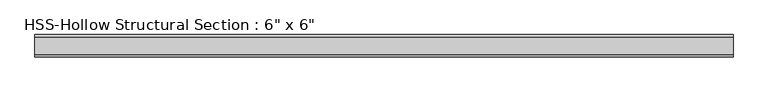
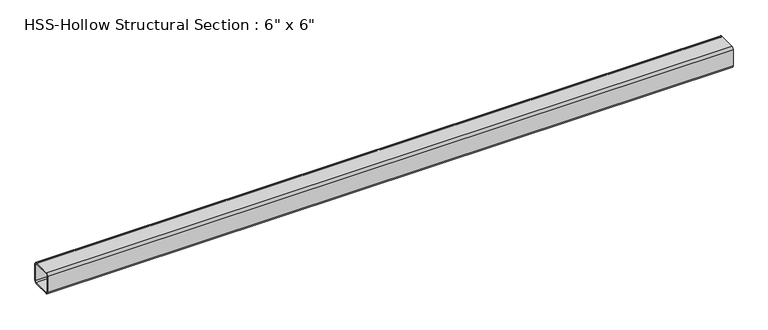
"""IFC4 building model written with IfcOpenShell, lengths in millimetres: beam geometry."""

from ifc_helpers import new_model, si_unit, point, frame, frame_2d, origin, place, context, project, spatial, polyline, circle_curve, trimmed, segment, composite_curve, outline, extrude, source, transform, mapped, element, save


def beam_faafdc9f(model_context):
    return source(origin(), model_context, "Body", "SweptSolid", [
        extrude(outline(composite_curve([segment(polyline([(76.2, 58.5390625), (76.2, -58.5390625)]), True, "CONTINUOUS"), segment(trimmed(circle_curve(frame_2d((58.5390625, -58.5390625)), 17.6609375), [point((76.2, -58.5390625))], [point((58.5390625, -76.2))], False, "CARTESIAN"), True, "CONTINUOUS"), segment(polyline([(58.5390625, -76.2), (-58.5390625, -76.2)]), True, "CONTINUOUS"), segment(trimmed(circle_curve(frame_2d((-58.5390625, -58.5390625)), 17.6609375), [point((-58.5390625, -76.2))], [point((-76.2, -58.5390625))], False, "CARTESIAN"), True, "CONTINUOUS"), segment(polyline([(-76.2, -58.5390625), (-76.2, 58.5390625)]), True, "CONTINUOUS"), segment(trimmed(circle_curve(frame_2d((-58.5390625, 58.5390625)), 17.6609375), [point((-76.2, 58.5390625))], [point((-58.5390625, 76.2))], False, "CARTESIAN"), True, "CONTINUOUS"), segment(polyline([(-58.5390625, 76.2), (58.5390625, 76.2)]), True, "CONTINUOUS"), segment(trimmed(circle_curve(frame_2d((58.5390625, 58.5390625)), 17.6609375), [point((58.5390625, 76.2))], [point((76.2, 58.5390625))], False, "CARTESIAN"), True, "CONTINUOUS")], self_intersect=False), holes=[composite_curve([segment(trimmed(circle_curve(frame_2d((-58.5390625, 58.5390625)), 8.8304687), [point((-58.5390625, 67.3695312))], [point((-67.3695313, 58.5390625))], True, "CARTESIAN"), True, "CONTINUOUS"), segment(polyline([(-67.3695313, 58.5390625), (-67.3695313, -58.5390625)]), True, "CONTINUOUS"), segment(trimmed(circle_curve(frame_2d((-58.5390625, -58.5390625)), 8.8304687), [point((-67.3695313, -58.5390625))], [point((-58.5390625, -67.3695313))], True, "CARTESIAN"), True, "CONTINUOUS"), segment(polyline([(-58.5390625, -67.3695313), (58.5390625, -67.3695313)]), True, "CONTINUOUS"), segment(trimmed(circle_curve(frame_2d((58.5390625, -58.5390625)), 8.8304687), [point((58.5390625, -67.3695313))], [point((67.3695312, -58.5390625))], True, "CARTESIAN"), True, "CONTINUOUS"), segment(polyline([(67.3695312, -58.5390625), (67.3695312, 58.5390625)]), True, "CONTINUOUS"), segment(trimmed(circle_curve(frame_2d((58.5390625, 58.5390625)), 8.8304687), [point((67.3695312, 58.5390625))], [point((58.5390625, 67.3695312))], True, "CARTESIAN"), True, "CONTINUOUS"), segment(polyline([(58.5390625, 67.3695312), (-58.5390625, 67.3695312)]), True, "CONTINUOUS")], self_intersect=False)]), frame((-2383.9409724, 0.0, 0.0), z_axis=(1.0, 0.0, 0.0), x_axis=(0.0, 1.0, 0.0)), (0.0, 0.0, 1.0), 4767.8819448),
    ])


if __name__ == "__main__":
    model = new_model("IFC4")
    model_context = context("Model", 3, world=origin())
    ifc_project = project(units=[si_unit("LENGTHUNIT", "METRE", prefix="MILLI")], contexts=[model_context])
    site = spatial("IfcSite", under=ifc_project)
    building = spatial("IfcBuilding", under=site)
    placement = place(None, origin())
    beam_shape = beam_faafdc9f(model_context)
    element("IfcBeam", 1, ObjectType="HSS-Hollow Structural Section : 6\" x 6\"", at=placement, inside=building, context=model_context, shape_type="MappedRepresentation", body=[
        mapped(beam_shape, transform((0.0, 0.0, 0.0), x_axis=(1.0, 0.0, 0.0), y_axis=(0.0, 1.0, 0.0), z_axis=(0.0, 0.0, 1.0))),
    ])
    save(model, "model.ifc")
